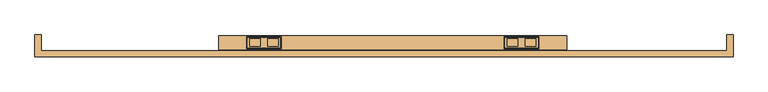
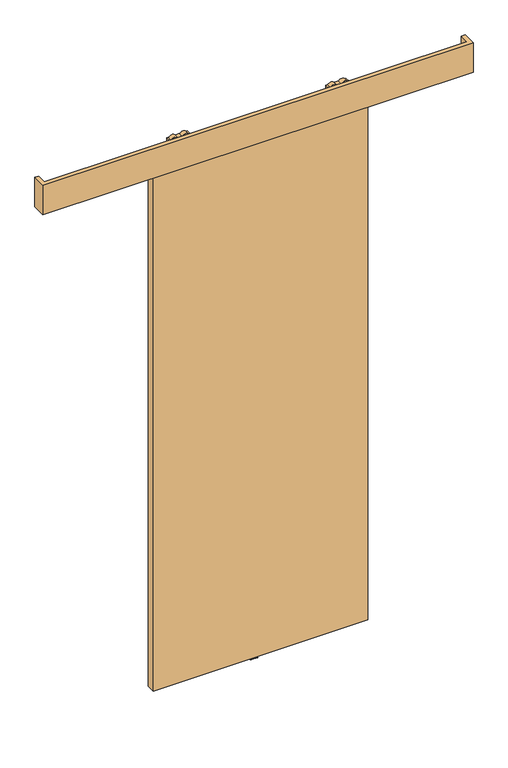
"""IFC4 building model written with IfcOpenShell, lengths in millimetres: door geometry."""

from ifc_helpers import new_model, si_unit, point, frame, frame_2d, origin, place, context, project, spatial, polyline, circle_curve, trimmed, segment, composite_curve, outline, extrude, source, transform, mapped, element, save
from ifc_brep_helpers import plane_surface, cylinder_surface, advanced_brep


def door_17f7c887(model_context):
    return source(origin(), model_context, "Body", "SolidModel", [
        advanced_brep(
        [(-320.0, 14.2574263, 2687.3), (-320.0, -14.7425737, 2687.3), (-225.0, -14.7425737, 2687.3), (-225.0, 14.2574263, 2687.3), (-262.072332, -10.9457536, 2687.3), (-262.072332, 10.4606061, 2687.3), (-231.78306, 10.4606061, 2687.3), (-231.78306, -10.9457536, 2687.3), (-313.21694, -10.9457536, 2687.3), (-313.21694, 10.4606061, 2687.3), (-282.927668, 10.4606061, 2687.3), (-282.927668, -10.9457536, 2687.3), (-320.0, 14.2574263, 2672.3), (-225.0, 14.2574263, 2672.3), (-225.0, -14.7425737, 2672.3), (-320.0, -14.7425737, 2672.3), (-231.78306, -10.9457536, 2672.3), (-231.78306, 10.4606061, 2672.3), (-262.072332, 10.4606061, 2672.3), (-262.072332, -10.9457536, 2672.3), (-282.927668, -10.9457536, 2672.3), (-282.927668, 10.4606061, 2672.3), (-313.21694, 10.4606061, 2672.3), (-313.21694, -10.9457536, 2672.3), (-267.55, -0.5, 2672.3), (-277.45, -0.5, 2672.3), (-267.55, -0.5, 2653.8), (-277.45, -0.5, 2653.8)],
        [
            (0, 1),
            (1, 2),
            (2, 3),
            (3, 0),
            (4, 5),
            (5, 6),
            (6, 7),
            (7, 4),
            (8, 9),
            (9, 10),
            (10, 11),
            (11, 8),
            (12, 13),
            (13, 14),
            (14, 15),
            (15, 12),
            (16, 17),
            (17, 18),
            (18, 19),
            (19, 16),
            (20, 21),
            (21, 22),
            (22, 23),
            (23, 20),
            (24, 25, circle_curve(frame((-272.5, -0.5, 2672.3), z_axis=(0.0, 0.0, 1.0), x_axis=(-1.0, 0.0, 0.0)), 4.95)),
            (25, 24, circle_curve(frame((-272.5, -0.5, 2672.3), z_axis=(0.0, 0.0, 1.0), x_axis=(-1.0, 0.0, 0.0)), 4.95)),
            (3, 13),
            (12, 0),
            (2, 14),
            (1, 15),
            (7, 4, circle_curve(frame((-246.927696, -10.9457536, 2679.8), z_axis=(0.0, -1.0, 0.0), x_axis=(-1.0, 0.0, 0.0)), 16.9)),
            (19, 16, circle_curve(frame((-246.927696, -10.9457536, 2679.8), z_axis=(0.0, -1.0, 0.0), x_axis=(-1.0, 0.0, 0.0)), 16.9)),
            (5, 6, circle_curve(frame((-246.927696, 10.4606061, 2679.8), z_axis=(0.0, 1.0, 0.0), x_axis=(-1.0, 0.0, 0.0)), 16.9)),
            (17, 18, circle_curve(frame((-246.927696, 10.4606061, 2679.8), z_axis=(0.0, 1.0, 0.0), x_axis=(-1.0, 0.0, 0.0)), 16.9)),
            (11, 8, circle_curve(frame((-298.072304, -10.9457536, 2679.8), z_axis=(0.0, -1.0, 0.0), x_axis=(1.0, 0.0, 0.0)), 16.9)),
            (23, 20, circle_curve(frame((-298.072304, -10.9457536, 2679.8), z_axis=(0.0, -1.0, 0.0), x_axis=(1.0, 0.0, 0.0)), 16.9)),
            (9, 10, circle_curve(frame((-298.072304, 10.4606061, 2679.8), z_axis=(0.0, 1.0, 0.0), x_axis=(1.0, 0.0, 0.0)), 16.9)),
            (21, 22, circle_curve(frame((-298.072304, 10.4606061, 2679.8), z_axis=(0.0, 1.0, 0.0), x_axis=(1.0, 0.0, 0.0)), 16.9)),
            (26, 27, circle_curve(frame((-272.5, -0.5, 2653.8), z_axis=(0.0, 0.0, -1.0), x_axis=(-1.0, 0.0, 0.0)), 4.95)),
            (27, 26, circle_curve(frame((-272.5, -0.5, 2653.8), z_axis=(0.0, 0.0, -1.0), x_axis=(-1.0, 0.0, 0.0)), 4.95)),
            (26, 24),
            (25, 27),
        ],
        [
            plane_surface(frame((-225.0, 14.2574263, 2687.3), z_axis=(0.0, 0.0, 1.0), x_axis=(1.0, 0.0, 0.0))),
            plane_surface(frame((-225.0, 14.2574263, 2672.3), z_axis=(0.0, 0.0, -1.0), x_axis=(-1.0, 0.0, 0.0))),
            plane_surface(frame((-320.0, 14.2574263, 2687.3), z_axis=(0.0, 1.0, 0.0), x_axis=(0.0, 0.0, -1.0))),
            plane_surface(frame((-225.0, 14.2574263, 2687.3), z_axis=(1.0, 0.0, 0.0), x_axis=(0.0, 0.0, -1.0))),
            plane_surface(frame((-225.0, -14.7425737, 2687.3), z_axis=(0.0, -1.0, 0.0), x_axis=(0.0, 0.0, -1.0))),
            plane_surface(frame((-320.0, -14.7425737, 2687.3), z_axis=(-1.0, 0.0, 0.0), x_axis=(0.0, 0.0, -1.0))),
            plane_surface(frame((-263.827696, -10.9457536, 2679.8), z_axis=(0.0, -1.0, 0.0), x_axis=(0.0, 0.0, 1.0))),
            plane_surface(frame((-263.827696, 10.4606061, 2679.8), z_axis=(0.0, 1.0, 0.0), x_axis=(0.0, 0.0, -1.0))),
            cylinder_surface(frame((-246.927696, 10.4606061, 2679.8), z_axis=(0.0, -1.0, 0.0), x_axis=(-1.0, 0.0, 0.0)), 16.9),
            plane_surface(frame((-281.172304, -10.9457536, 2679.8), z_axis=(0.0, -1.0, 0.0), x_axis=(0.0, 0.0, -1.0))),
            plane_surface(frame((-281.172304, 10.4606061, 2679.8), z_axis=(0.0, 1.0, 0.0), x_axis=(0.0, 0.0, 1.0))),
            cylinder_surface(frame((-298.072304, 10.4606061, 2679.8), z_axis=(0.0, -1.0, 0.0), x_axis=(1.0, 0.0, 0.0)), 16.9),
            plane_surface(frame((-277.45, -0.5, 2653.8), z_axis=(0.0, 0.0, -1.0), x_axis=(0.0, -1.0, 0.0))),
            cylinder_surface(frame((-272.5, -0.5, 2653.8), z_axis=(0.0, 0.0, 1.0), x_axis=(-1.0, 0.0, 0.0)), 4.95),
        ],
        [
            (0, [[1, 2, 3, 4], [5, 6, 7, 8], [9, 10, 11, 12]]),
            (1, [[13, 14, 15, 16], [17, 18, 19, 20], [21, 22, 23, 24], [25, 26]]),
            (2, [[27, -13, 28, -4]]),
            (3, [[29, -14, -27, -3]]),
            (4, [[30, -15, -29, -2]]),
            (5, [[-28, -16, -30, -1]]),
            (6, [[-8, 31]]),
            (6, [[-20, 32]]),
            (7, [[-6, 33]]),
            (7, [[-18, 34]]),
            (8, [[-19, -34, -17, -32]]),
            (8, [[-7, -33, -5, -31]]),
            (9, [[-12, 35]]),
            (9, [[-24, 36]]),
            (10, [[-10, 37]]),
            (10, [[-22, 38]]),
            (11, [[-23, -38, -21, -36]]),
            (11, [[-11, -37, -9, -35]]),
            (12, [[39, 40]]),
            (13, [[41, -26, 42, -39]]),
            (13, [[-42, -25, -41, -40]]),
        ],
    ),
        extrude(outline(composite_curve([segment(trimmed(circle_curve(frame_2d((-272.5000356, -0.1875)), 12.254021), [point((-260.2460147, -0.1875))], [point((-284.7540566, -0.1875))], False, "CARTESIAN"), True, "CONTINUOUS"), segment(trimmed(circle_curve(frame_2d((-272.5000356, -0.1875)), 12.254021), [point((-284.7540566, -0.1875))], [point((-260.2460147, -0.1875))], False, "CARTESIAN"), True, "CONTINUOUS")], self_intersect=False)), frame((0.0, 0.0, 2645.0), z_axis=(0.0, 0.0, 1.0), x_axis=(1.0, 0.0, 0.0)), (0.0, 0.0, 1.0), 8.8),
        extrude(outline(polyline([(2631.0, -322.5), (2631.0, -222.5), (2634.8, -222.5), (2645.0, -260.25), (2645.0, -284.75), (2634.8, -322.5), (2631.0, -322.5)])), frame((0.0, -17.7425737, 0.0), z_axis=(0.0, 1.0, 0.0), x_axis=(0.0, 0.0, 1.0)), (0.0, 0.0, 1.0), 35.0),
        advanced_brep(
        [(515.0, 14.2574263, 2687.3), (420.0, 14.2574263, 2687.3), (420.0, -14.7425737, 2687.3), (515.0, -14.7425737, 2687.3), (457.072332, -10.9457536, 2687.3), (426.78306, -10.9457536, 2687.3), (426.78306, 10.4606061, 2687.3), (457.072332, 10.4606061, 2687.3), (508.21694, -10.9457536, 2687.3), (477.927668, -10.9457536, 2687.3), (477.927668, 10.4606061, 2687.3), (508.21694, 10.4606061, 2687.3), (515.0, 14.2574263, 2672.3), (515.0, -14.7425737, 2672.3), (420.0, -14.7425737, 2672.3), (420.0, 14.2574263, 2672.3), (426.78306, -10.9457536, 2672.3), (457.072332, -10.9457536, 2672.3), (457.072332, 10.4606061, 2672.3), (426.78306, 10.4606061, 2672.3), (477.927668, -10.9457536, 2672.3), (508.21694, -10.9457536, 2672.3), (508.21694, 10.4606061, 2672.3), (477.927668, 10.4606061, 2672.3), (462.55, -0.5, 2672.3), (472.45, -0.5, 2672.3), (462.55, -0.5, 2653.8), (472.45, -0.5, 2653.8)],
        [
            (0, 1),
            (1, 2),
            (2, 3),
            (3, 0),
            (4, 5),
            (5, 6),
            (6, 7),
            (7, 4),
            (8, 9),
            (9, 10),
            (10, 11),
            (11, 8),
            (12, 13),
            (13, 14),
            (14, 15),
            (15, 12),
            (16, 17),
            (17, 18),
            (18, 19),
            (19, 16),
            (20, 21),
            (21, 22),
            (22, 23),
            (23, 20),
            (24, 25, circle_curve(frame((467.5, -0.5, 2672.3), z_axis=(0.0, 0.0, 1.0), x_axis=(1.0, 0.0, 0.0)), 4.95)),
            (25, 24, circle_curve(frame((467.5, -0.5, 2672.3), z_axis=(0.0, 0.0, 1.0), x_axis=(1.0, 0.0, 0.0)), 4.95)),
            (0, 12),
            (15, 1),
            (14, 2),
            (13, 3),
            (16, 17, circle_curve(frame((441.927696, -10.9457536, 2679.8), z_axis=(0.0, -1.0, 0.0), x_axis=(1.0, 0.0, 0.0)), 16.9)),
            (4, 5, circle_curve(frame((441.927696, -10.9457536, 2679.8), z_axis=(0.0, -1.0, 0.0), x_axis=(1.0, 0.0, 0.0)), 16.9)),
            (6, 7, circle_curve(frame((441.927696, 10.4606061, 2679.8), z_axis=(0.0, 1.0, 0.0), x_axis=(1.0, 0.0, 0.0)), 16.9)),
            (18, 19, circle_curve(frame((441.927696, 10.4606061, 2679.8), z_axis=(0.0, 1.0, 0.0), x_axis=(1.0, 0.0, 0.0)), 16.9)),
            (8, 9, circle_curve(frame((493.072304, -10.9457536, 2679.8), z_axis=(0.0, -1.0, 0.0), x_axis=(-1.0, 0.0, 0.0)), 16.9)),
            (20, 21, circle_curve(frame((493.072304, -10.9457536, 2679.8), z_axis=(0.0, -1.0, 0.0), x_axis=(-1.0, 0.0, 0.0)), 16.9)),
            (22, 23, circle_curve(frame((493.072304, 10.4606061, 2679.8), z_axis=(0.0, 1.0, 0.0), x_axis=(-1.0, 0.0, 0.0)), 16.9)),
            (10, 11, circle_curve(frame((493.072304, 10.4606061, 2679.8), z_axis=(0.0, 1.0, 0.0), x_axis=(-1.0, 0.0, 0.0)), 16.9)),
            (26, 27, circle_curve(frame((467.5, -0.5, 2653.8), z_axis=(0.0, 0.0, -1.0), x_axis=(1.0, 0.0, 0.0)), 4.95)),
            (27, 26, circle_curve(frame((467.5, -0.5, 2653.8), z_axis=(0.0, 0.0, -1.0), x_axis=(1.0, 0.0, 0.0)), 4.95)),
            (27, 25),
            (24, 26),
        ],
        [
            plane_surface(frame((420.0, 14.2574263, 2687.3), z_axis=(0.0, 0.0, 1.0), x_axis=(-1.0, 0.0, 0.0))),
            plane_surface(frame((420.0, 14.2574263, 2672.3), z_axis=(0.0, 0.0, -1.0), x_axis=(1.0, 0.0, 0.0))),
            plane_surface(frame((515.0, 14.2574263, 2687.3), z_axis=(0.0, 1.0, 0.0), x_axis=(0.0, 0.0, -1.0))),
            plane_surface(frame((420.0, 14.2574263, 2687.3), z_axis=(-1.0, 0.0, 0.0), x_axis=(0.0, 0.0, -1.0))),
            plane_surface(frame((420.0, -14.7425737, 2687.3), z_axis=(0.0, -1.0, 0.0), x_axis=(0.0, 0.0, -1.0))),
            plane_surface(frame((515.0, -14.7425737, 2687.3), z_axis=(1.0, 0.0, 0.0), x_axis=(0.0, 0.0, -1.0))),
            plane_surface(frame((458.827696, -10.9457536, 2679.8), z_axis=(0.0, -1.0, 0.0), x_axis=(0.0, 0.0, 1.0))),
            plane_surface(frame((458.827696, 10.4606061, 2679.8), z_axis=(0.0, 1.0, 0.0), x_axis=(0.0, 0.0, -1.0))),
            cylinder_surface(frame((441.927696, 10.4606061, 2679.8), z_axis=(0.0, -1.0, 0.0), x_axis=(1.0, 0.0, 0.0)), 16.9),
            plane_surface(frame((476.172304, -10.9457536, 2679.8), z_axis=(0.0, -1.0, 0.0), x_axis=(0.0, 0.0, -1.0))),
            plane_surface(frame((476.172304, 10.4606061, 2679.8), z_axis=(0.0, 1.0, 0.0), x_axis=(0.0, 0.0, 1.0))),
            cylinder_surface(frame((493.072304, 10.4606061, 2679.8), z_axis=(0.0, -1.0, 0.0), x_axis=(-1.0, 0.0, 0.0)), 16.9),
            plane_surface(frame((472.45, -0.5, 2653.8), z_axis=(0.0, 0.0, -1.0), x_axis=(0.0, -1.0, 0.0))),
            cylinder_surface(frame((467.5, -0.5, 2653.8), z_axis=(0.0, 0.0, 1.0), x_axis=(1.0, 0.0, 0.0)), 4.95),
        ],
        [
            (0, [[1, 2, 3, 4], [5, 6, 7, 8], [9, 10, 11, 12]]),
            (1, [[13, 14, 15, 16], [17, 18, 19, 20], [21, 22, 23, 24], [25, 26]]),
            (2, [[-1, 27, -16, 28]]),
            (3, [[-2, -28, -15, 29]]),
            (4, [[-3, -29, -14, 30]]),
            (5, [[-4, -30, -13, -27]]),
            (6, [[31, -17]]),
            (6, [[32, -5]]),
            (7, [[33, -7]]),
            (7, [[34, -19]]),
            (8, [[-31, -20, -34, -18]]),
            (8, [[-32, -8, -33, -6]]),
            (9, [[35, -9]]),
            (9, [[36, -21]]),
            (10, [[37, -23]]),
            (10, [[38, -11]]),
            (11, [[-36, -24, -37, -22]]),
            (11, [[-35, -12, -38, -10]]),
            (12, [[39, 40]]),
            (13, [[-40, 41, -25, 42]]),
            (13, [[-39, -42, -26, -41]]),
        ],
    ),
        extrude(outline(composite_curve([segment(trimmed(circle_curve(frame_2d((467.5000356, -0.1875)), 12.254021), [point((455.2460147, -0.1875))], [point((479.7540566, -0.1875))], False, "CARTESIAN"), True, "CONTINUOUS"), segment(trimmed(circle_curve(frame_2d((467.5000356, -0.1875)), 12.254021), [point((479.7540566, -0.1875))], [point((455.2460147, -0.1875))], False, "CARTESIAN"), True, "CONTINUOUS")], self_intersect=False)), frame((0.0, 0.0, 2645.0), z_axis=(0.0, 0.0, 1.0), x_axis=(1.0, 0.0, 0.0)), (0.0, 0.0, 1.0), 8.8),
        extrude(outline(polyline([(2631.0, 517.5), (2634.8, 517.5), (2645.0, 479.75), (2645.0, 455.25), (2634.8, 417.5), (2631.0, 417.5), (2631.0, 517.5)])), frame((0.0, -17.7425737, 0.0), z_axis=(0.0, 1.0, 0.0), x_axis=(0.0, 0.0, 1.0)), (0.0, 0.0, 1.0), 35.0),
        extrude(outline(polyline([(-402.5, 19.5), (597.5, 19.5), (597.5, -20.5), (-402.5, -20.5), (-402.5, 19.5)])), frame((0.0, 0.0, 10.0), z_axis=(0.0, 0.0, 1.0), x_axis=(1.0, 0.0, 0.0)), (0.0, 0.0, 1.0), 2621.0),
        extrude(outline(polyline([(-930.5, 22.0), (-912.5, 22.0), (-912.5, -23.0), (1057.5, -23.0), (1057.5, 22.0), (1075.5, 22.0), (1075.5, -41.0), (-930.5, -41.0), (-930.5, 22.0)])), frame((0.0, 0.0, 2555.0), z_axis=(0.0, 0.0, 1.0), x_axis=(1.0, 0.0, 0.0)), (0.0, 0.0, 1.0), 145.0),
        extrude(outline(polyline([(15.3483682, 2.0), (15.3483682, 0.0), (-14.5, 0.0), (-14.5, 2.0), (-2.6516318, 2.0), (-2.6516318, 26.0), (1.6516318, 26.0), (1.6516318, 2.0), (15.3483682, 2.0)])), frame((52.5, 0.0, 0.0), z_axis=(1.0, 0.0, 0.0), x_axis=(0.0, 1.0, 0.0)), (0.0, 0.0, 1.0), 35.0),
    ])


if __name__ == "__main__":
    model = new_model("IFC4")
    model_context = context("Model", 3, world=origin())
    ifc_project = project(units=[si_unit("LENGTHUNIT", "METRE", prefix="MILLI")], contexts=[model_context])
    site = spatial("IfcSite", under=ifc_project)
    building = spatial("IfcBuilding", under=site)
    placement = place(None, origin())
    door_shape = door_17f7c887(model_context)
    element("IfcDoor", 1, at=placement, inside=building, context=model_context, shape_type="MappedRepresentation", body=[
        mapped(door_shape, transform((0.0, 0.0, 0.0), x_axis=(1.0, 0.0, 0.0), y_axis=(0.0, 1.0, 0.0), z_axis=(0.0, 0.0, 1.0))),
    ])
    save(model, "model.ifc")
